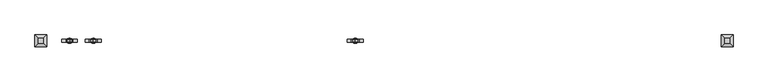
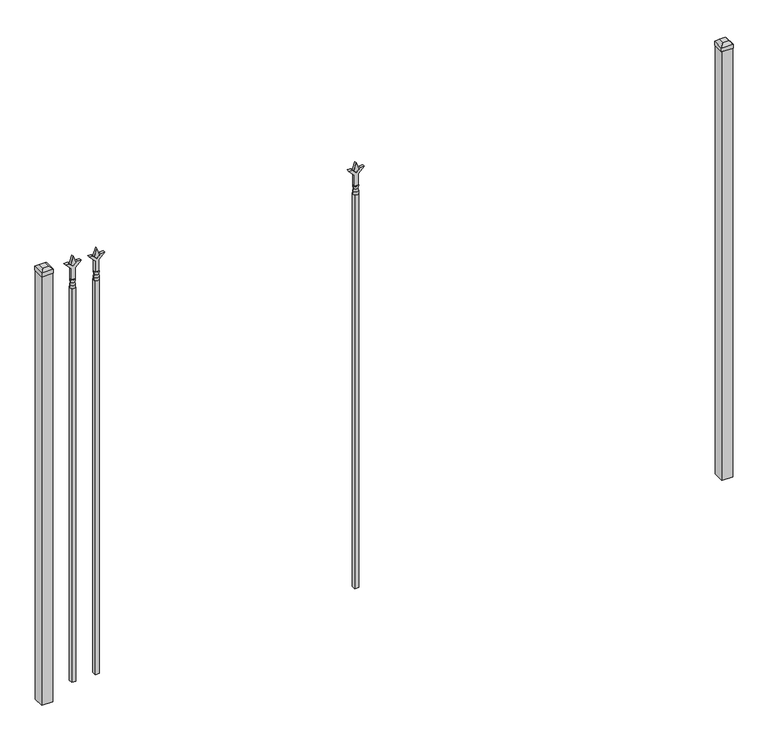
"""IFC4 building model written with IfcOpenShell, lengths in millimetres: railing geometry."""

from ifc_helpers import new_model, si_unit, frame, origin, origin_with_axes, place, context, project, spatial, polyline, circle_curve, outline, extrude, faceted_brep, source, transform, mapped, element, save
from ifc_brep_helpers import plane_surface, cylinder_surface, revolved_surface, advanced_brep


def railing_a6ef29d1(model_context):
    return source(origin(), model_context, "Body", "SolidModel", [
        extrude(outline(polyline([(2097.88125, -61092.3764203), (2133.6, -61104.2826703), (2097.88125, -61116.1889203), (2085.975, -61104.2826703), (2097.88125, -61092.3764203)])), frame((0.0, 3017.5804826, 0.0), z_axis=(0.0, 1.0, 0.0), x_axis=(0.0, 0.0, 1.0)), (0.0, 0.0, 1.0), 9.525),
        extrude(outline(polyline([(2022.475, -61095.5514203), (2076.7457378, -61095.5514203), (2103.9355122, -61068.3616458), (2103.9355122, -61086.3221581), (2085.975, -61104.2826703), (2103.9355122, -61122.2431825), (2103.9355122, -61140.2036948), (2076.7457378, -61113.0139203), (2022.475, -61113.0139203), (2022.475, -61095.5514203)])), frame((0.0, 3015.9929826, 0.0), z_axis=(0.0, 1.0, 0.0), x_axis=(0.0, 0.0, 1.0)), (0.0, 0.0, 1.0), 12.7),
        advanced_brep(
        [(-61092.3764203, 3022.3429826, 1993.9), (-61116.1889203, 3022.3429826, 1993.9), (-61116.1889203, 3022.3429826, 1981.2), (-61092.3764203, 3022.3429826, 1981.2), (-61094.5817522, 3022.3429826, 2006.4070585), (-61113.9835884, 3022.3429826, 2006.4070585), (-61092.3764203, 3022.3429826, 2022.475), (-61116.1889203, 3022.3429826, 2022.475), (-61104.2826703, 3022.3429826, 2022.475), (-61104.2826703, 3022.3429826, 1981.2)],
        [
            (0, 1, circle_curve(frame((-61104.2826703, 3022.3429826, 1993.9), z_axis=(0.0, 0.0, -1.0), x_axis=(-1.0, 0.0, 0.0)), 11.90625)),
            (1, 2),
            (2, 3, circle_curve(frame((-61104.2826703, 3022.3429826, 1981.2), z_axis=(0.0, 0.0, 1.0), x_axis=(-1.0, 0.0, 0.0)), 11.90625)),
            (3, 0),
            (1, 0, circle_curve(frame((-61104.2826703, 3022.3429826, 1993.9), z_axis=(0.0, 0.0, -1.0), x_axis=(-1.0, 0.0, 0.0)), 11.90625)),
            (3, 2, circle_curve(frame((-61104.2826703, 3022.3429826, 1981.2), z_axis=(0.0, 0.0, 1.0), x_axis=(-1.0, 0.0, 0.0)), 11.90625)),
            (4, 5, circle_curve(frame((-61104.2826703, 3022.3429826, 2006.4070585), z_axis=(0.0, 0.0, -1.0), x_axis=(-1.0, 0.0, 0.0)), 9.7009181)),
            (5, 1),
            (0, 4),
            (5, 4, circle_curve(frame((-61104.2826703, 3022.3429826, 2006.4070585), z_axis=(0.0, 0.0, -1.0), x_axis=(-1.0, 0.0, 0.0)), 9.7009181)),
            (6, 7, circle_curve(frame((-61104.2826703, 3022.3429826, 2022.475), z_axis=(0.0, 0.0, -1.0), x_axis=(-1.0, 0.0, 0.0)), 11.90625)),
            (7, 5),
            (4, 6),
            (7, 6, circle_curve(frame((-61104.2826703, 3022.3429826, 2022.475), z_axis=(0.0, 0.0, -1.0), x_axis=(-1.0, 0.0, 0.0)), 11.90625)),
            (8, 7),
            (6, 8),
            (2, 9),
            (9, 3),
        ],
        [
            cylinder_surface(frame((-61104.2826703, 3022.3429826, 1981.2), z_axis=(0.0, 0.0, 1.0), x_axis=(-1.0, 0.0, 0.0)), 11.90625),
            revolved_surface(polyline([(-61116.1889203, 3022.3429826, 1993.9), (-61113.9835884, 3022.3429826, 2006.4070585)]), (-61104.2826703, 3022.3429826, 1981.2), (0.0, 0.0, 1.0)),
            revolved_surface(polyline([(-61113.9835884, 3022.3429826, 2006.4070585), (-61116.1889203, 3022.3429826, 2022.475)]), (-61104.2826703, 3022.3429826, 1981.2), (0.0, 0.0, 1.0)),
            plane_surface(frame((-61104.2826703, 3022.3429826, 2022.475), z_axis=(0.0, 0.0, 1.0), x_axis=(-1.0, 0.0, 0.0))),
            plane_surface(frame((-61104.2826703, 3022.3429826, 1981.2), z_axis=(0.0, 0.0, -1.0), x_axis=(-1.0, 0.0, 0.0))),
        ],
        [
            (0, [[1, 2, 3, 4]]),
            (0, [[5, -4, 6, -2]]),
            (1, [[7, 8, -1, 9]]),
            (1, [[10, -9, -5, -8]]),
            (2, [[11, 12, -7, 13]]),
            (2, [[14, -13, -10, -12]]),
            (3, [[15, -11, 16]]),
            (3, [[-16, -14, -15]]),
            (4, [[-3, 17, 18]]),
            (4, [[-6, -18, -17]]),
        ],
    ),
        extrude(outline(polyline([(-61113.8076703, 3031.8679826), (-61094.7576703, 3031.8679826), (-61094.7576703, 3012.8179826), (-61113.8076703, 3012.8179826), (-61113.8076703, 3031.8679826)])), frame((0.0, 0.0, 50.8), z_axis=(0.0, 0.0, 1.0), x_axis=(1.0, 0.0, 0.0)), (0.0, 0.0, 1.0), 1930.4),
        extrude(outline(polyline([(2097.88125, -59890.374337), (2133.6, -59902.280587), (2097.88125, -59914.186837), (2085.975, -59902.280587), (2097.88125, -59890.374337)])), frame((0.0, 3017.5804826, 0.0), z_axis=(0.0, 1.0, 0.0), x_axis=(0.0, 0.0, 1.0)), (0.0, 0.0, 1.0), 9.525),
        extrude(outline(polyline([(2022.475, -59893.549337), (2076.7457378, -59893.549337), (2103.9355122, -59866.3595625), (2103.9355122, -59884.3200747), (2085.975, -59902.280587), (2103.9355122, -59920.2410992), (2103.9355122, -59938.2016114), (2076.7457378, -59911.011837), (2022.475, -59911.011837), (2022.475, -59893.549337)])), frame((0.0, 3015.9929826, 0.0), z_axis=(0.0, 1.0, 0.0), x_axis=(0.0, 0.0, 1.0)), (0.0, 0.0, 1.0), 12.7),
        advanced_brep(
        [(-59890.374337, 3022.3429826, 1993.9), (-59914.186837, 3022.3429826, 1993.9), (-59914.186837, 3022.3429826, 1981.2), (-59890.374337, 3022.3429826, 1981.2), (-59892.5796688, 3022.3429826, 2006.4070585), (-59911.9815051, 3022.3429826, 2006.4070585), (-59890.374337, 3022.3429826, 2022.475), (-59914.186837, 3022.3429826, 2022.475), (-59902.280587, 3022.3429826, 2022.475), (-59902.280587, 3022.3429826, 1981.2)],
        [
            (0, 1, circle_curve(frame((-59902.280587, 3022.3429826, 1993.9), z_axis=(0.0, 0.0, -1.0), x_axis=(-1.0, 0.0, 0.0)), 11.90625)),
            (1, 2),
            (2, 3, circle_curve(frame((-59902.280587, 3022.3429826, 1981.2), z_axis=(0.0, 0.0, 1.0), x_axis=(-1.0, 0.0, 0.0)), 11.90625)),
            (3, 0),
            (1, 0, circle_curve(frame((-59902.280587, 3022.3429826, 1993.9), z_axis=(0.0, 0.0, -1.0), x_axis=(-1.0, 0.0, 0.0)), 11.90625)),
            (3, 2, circle_curve(frame((-59902.280587, 3022.3429826, 1981.2), z_axis=(0.0, 0.0, 1.0), x_axis=(-1.0, 0.0, 0.0)), 11.90625)),
            (4, 5, circle_curve(frame((-59902.280587, 3022.3429826, 2006.4070585), z_axis=(0.0, 0.0, -1.0), x_axis=(-1.0, 0.0, 0.0)), 9.7009181)),
            (5, 1),
            (0, 4),
            (5, 4, circle_curve(frame((-59902.280587, 3022.3429826, 2006.4070585), z_axis=(0.0, 0.0, -1.0), x_axis=(-1.0, 0.0, 0.0)), 9.7009181)),
            (6, 7, circle_curve(frame((-59902.280587, 3022.3429826, 2022.475), z_axis=(0.0, 0.0, -1.0), x_axis=(-1.0, 0.0, 0.0)), 11.90625)),
            (7, 5),
            (4, 6),
            (7, 6, circle_curve(frame((-59902.280587, 3022.3429826, 2022.475), z_axis=(0.0, 0.0, -1.0), x_axis=(-1.0, 0.0, 0.0)), 11.90625)),
            (8, 7),
            (6, 8),
            (2, 9),
            (9, 3),
        ],
        [
            cylinder_surface(frame((-59902.280587, 3022.3429826, 1981.2), z_axis=(0.0, 0.0, 1.0), x_axis=(-1.0, 0.0, 0.0)), 11.90625),
            revolved_surface(polyline([(-59914.186837, 3022.3429826, 1993.9), (-59911.9815051, 3022.3429826, 2006.4070585)]), (-59902.280587, 3022.3429826, 1981.2), (0.0, 0.0, 1.0)),
            revolved_surface(polyline([(-59911.9815051, 3022.3429826, 2006.4070585), (-59914.186837, 3022.3429826, 2022.475)]), (-59902.280587, 3022.3429826, 1981.2), (0.0, 0.0, 1.0)),
            plane_surface(frame((-59902.280587, 3022.3429826, 2022.475), z_axis=(0.0, 0.0, 1.0), x_axis=(-1.0, 0.0, 0.0))),
            plane_surface(frame((-59902.280587, 3022.3429826, 1981.2), z_axis=(0.0, 0.0, -1.0), x_axis=(-1.0, 0.0, 0.0))),
        ],
        [
            (0, [[1, 2, 3, 4]]),
            (0, [[5, -4, 6, -2]]),
            (1, [[7, 8, -1, 9]]),
            (1, [[10, -9, -5, -8]]),
            (2, [[11, 12, -7, 13]]),
            (2, [[14, -13, -10, -12]]),
            (3, [[15, -11, 16]]),
            (3, [[-16, -14, -15]]),
            (4, [[-3, 17, 18]]),
            (4, [[-6, -18, -17]]),
        ],
    ),
        extrude(outline(polyline([(-59911.805587, 3031.8679826), (-59892.755587, 3031.8679826), (-59892.755587, 3012.8179826), (-59911.805587, 3012.8179826), (-59911.805587, 3031.8679826)])), frame((0.0, 0.0, 50.8), z_axis=(0.0, 0.0, 1.0), x_axis=(1.0, 0.0, 0.0)), (0.0, 0.0, 1.0), 1930.4),
        extrude(outline(polyline([(2097.88125, -61201.649337), (2133.6, -61213.555587), (2097.88125, -61225.461837), (2085.975, -61213.555587), (2097.88125, -61201.649337)])), frame((0.0, 3017.5804826, 0.0), z_axis=(0.0, 1.0, 0.0), x_axis=(0.0, 0.0, 1.0)), (0.0, 0.0, 1.0), 9.525),
        extrude(outline(polyline([(2022.475, -61204.824337), (2076.7457378, -61204.824337), (2103.9355122, -61177.6345625), (2103.9355122, -61195.5950747), (2085.975, -61213.555587), (2103.9355122, -61231.5160992), (2103.9355122, -61249.4766114), (2076.7457378, -61222.286837), (2022.475, -61222.286837), (2022.475, -61204.824337)])), frame((0.0, 3015.9929826, 0.0), z_axis=(0.0, 1.0, 0.0), x_axis=(0.0, 0.0, 1.0)), (0.0, 0.0, 1.0), 12.7),
        advanced_brep(
        [(-61201.649337, 3022.3429826, 1993.9), (-61225.461837, 3022.3429826, 1993.9), (-61225.461837, 3022.3429826, 1981.2), (-61201.649337, 3022.3429826, 1981.2), (-61203.8546688, 3022.3429826, 2006.4070585), (-61223.2565051, 3022.3429826, 2006.4070585), (-61201.649337, 3022.3429826, 2022.475), (-61225.461837, 3022.3429826, 2022.475), (-61213.555587, 3022.3429826, 2022.475), (-61213.555587, 3022.3429826, 1981.2)],
        [
            (0, 1, circle_curve(frame((-61213.555587, 3022.3429826, 1993.9), z_axis=(0.0, 0.0, -1.0), x_axis=(-1.0, 0.0, 0.0)), 11.90625)),
            (1, 2),
            (2, 3, circle_curve(frame((-61213.555587, 3022.3429826, 1981.2), z_axis=(0.0, 0.0, 1.0), x_axis=(-1.0, 0.0, 0.0)), 11.90625)),
            (3, 0),
            (1, 0, circle_curve(frame((-61213.555587, 3022.3429826, 1993.9), z_axis=(0.0, 0.0, -1.0), x_axis=(-1.0, 0.0, 0.0)), 11.90625)),
            (3, 2, circle_curve(frame((-61213.555587, 3022.3429826, 1981.2), z_axis=(0.0, 0.0, 1.0), x_axis=(-1.0, 0.0, 0.0)), 11.90625)),
            (4, 5, circle_curve(frame((-61213.555587, 3022.3429826, 2006.4070585), z_axis=(0.0, 0.0, -1.0), x_axis=(-1.0, 0.0, 0.0)), 9.7009181)),
            (5, 1),
            (0, 4),
            (5, 4, circle_curve(frame((-61213.555587, 3022.3429826, 2006.4070585), z_axis=(0.0, 0.0, -1.0), x_axis=(-1.0, 0.0, 0.0)), 9.7009181)),
            (6, 7, circle_curve(frame((-61213.555587, 3022.3429826, 2022.475), z_axis=(0.0, 0.0, -1.0), x_axis=(-1.0, 0.0, 0.0)), 11.90625)),
            (7, 5),
            (4, 6),
            (7, 6, circle_curve(frame((-61213.555587, 3022.3429826, 2022.475), z_axis=(0.0, 0.0, -1.0), x_axis=(-1.0, 0.0, 0.0)), 11.90625)),
            (8, 7),
            (6, 8),
            (2, 9),
            (9, 3),
        ],
        [
            cylinder_surface(frame((-61213.555587, 3022.3429826, 1981.2), z_axis=(0.0, 0.0, 1.0), x_axis=(-1.0, 0.0, 0.0)), 11.90625),
            revolved_surface(polyline([(-61225.461837, 3022.3429826, 1993.9), (-61223.2565051, 3022.3429826, 2006.4070585)]), (-61213.555587, 3022.3429826, 1981.2), (0.0, 0.0, 1.0)),
            revolved_surface(polyline([(-61223.2565051, 3022.3429826, 2006.4070585), (-61225.461837, 3022.3429826, 2022.475)]), (-61213.555587, 3022.3429826, 1981.2), (0.0, 0.0, 1.0)),
            plane_surface(frame((-61213.555587, 3022.3429826, 2022.475), z_axis=(0.0, 0.0, 1.0), x_axis=(-1.0, 0.0, 0.0))),
            plane_surface(frame((-61213.555587, 3022.3429826, 1981.2), z_axis=(0.0, 0.0, -1.0), x_axis=(-1.0, 0.0, 0.0))),
        ],
        [
            (0, [[1, 2, 3, 4]]),
            (0, [[5, -4, 6, -2]]),
            (1, [[7, 8, -1, 9]]),
            (1, [[10, -9, -5, -8]]),
            (2, [[11, 12, -7, 13]]),
            (2, [[14, -13, -10, -12]]),
            (3, [[15, -11, 16]]),
            (3, [[-16, -14, -15]]),
            (4, [[-3, 17, 18]]),
            (4, [[-6, -18, -17]]),
        ],
    ),
        extrude(outline(polyline([(-61223.080587, 3031.8679826), (-61204.030587, 3031.8679826), (-61204.030587, 3012.8179826), (-61223.080587, 3012.8179826), (-61223.080587, 3031.8679826)])), frame((0.0, 0.0, 50.8), z_axis=(0.0, 0.0, 1.0), x_axis=(1.0, 0.0, 0.0)), (0.0, 0.0, 1.0), 1930.4),
        extrude(outline(polyline([(-58170.318087, 3047.7429826), (-58170.318087, 2996.9429826), (-58221.118087, 2996.9429826), (-58221.118087, 3047.7429826), (-58170.318087, 3047.7429826)])), origin_with_axes(), (0.0, 0.0, 1.0), 2101.85),
        faceted_brep([(-58222.705587, 3049.3304826, 2120.9), (-58222.705587, 3049.3304826, 2101.85), (-58222.705587, 2995.3554826, 2101.85), (-58222.705587, 2995.3554826, 2120.9), (-58210.005587, 3036.6304826, 2133.6), (-58210.005587, 3008.0554826, 2133.6), (-58168.730587, 2995.3554826, 2101.85), (-58168.730587, 2995.3554826, 2120.9), (-58181.430587, 3008.0554826, 2133.6), (-58168.730587, 3049.3304826, 2101.85), (-58168.730587, 3049.3304826, 2120.9), (-58181.430587, 3036.6304826, 2133.6)], [[[0, 1, 2, 3]], [[4, 0, 3, 5]], [[3, 2, 6, 7]], [[5, 3, 7, 8]], [[7, 6, 9, 10]], [[8, 7, 10, 11]], [[10, 9, 1, 0]], [[11, 10, 0, 4]], [[5, 8, 11, 4]], [[1, 9, 6, 2]]]),
        extrude(outline(polyline([(-61319.918087, 3047.7429826), (-61319.918087, 2996.9429826), (-61370.718087, 2996.9429826), (-61370.718087, 3047.7429826), (-61319.918087, 3047.7429826)])), origin_with_axes(), (0.0, 0.0, 1.0), 2101.85),
        faceted_brep([(-61372.305587, 3049.3304826, 2120.9), (-61372.305587, 3049.3304826, 2101.85), (-61372.305587, 2995.3554826, 2101.85), (-61372.305587, 2995.3554826, 2120.9), (-61359.605587, 3036.6304826, 2133.6), (-61359.605587, 3008.0554826, 2133.6), (-61318.330587, 2995.3554826, 2101.85), (-61318.330587, 2995.3554826, 2120.9), (-61331.030587, 3008.0554826, 2133.6), (-61318.330587, 3049.3304826, 2101.85), (-61318.330587, 3049.3304826, 2120.9), (-61331.030587, 3036.6304826, 2133.6)], [[[0, 1, 2, 3]], [[4, 0, 3, 5]], [[3, 2, 6, 7]], [[5, 3, 7, 8]], [[7, 6, 9, 10]], [[8, 7, 10, 11]], [[10, 9, 1, 0]], [[11, 10, 0, 4]], [[5, 8, 11, 4]], [[1, 9, 6, 2]]]),
    ])


if __name__ == "__main__":
    model = new_model("IFC4")
    model_context = context("Model", 3, world=origin())
    ifc_project = project(units=[si_unit("LENGTHUNIT", "METRE", prefix="MILLI")], contexts=[model_context])
    site = spatial("IfcSite", under=ifc_project)
    building = spatial("IfcBuilding", under=site)
    placement = place(None, origin())
    railing_shape = railing_a6ef29d1(model_context)
    element("IfcRailing", 1, at=placement, inside=building, context=model_context, shape_type="MappedRepresentation", body=[
        mapped(railing_shape, transform((0.0, 0.0, 0.0), x_axis=(1.0, 0.0, 0.0), y_axis=(0.0, 1.0, 0.0), z_axis=(0.0, 0.0, 1.0))),
    ])
    save(model, "model.ifc")
